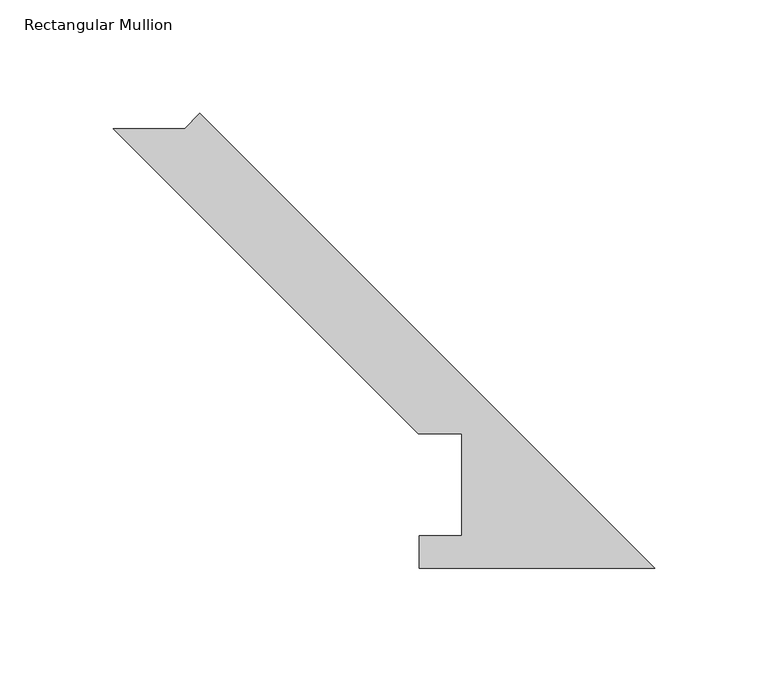
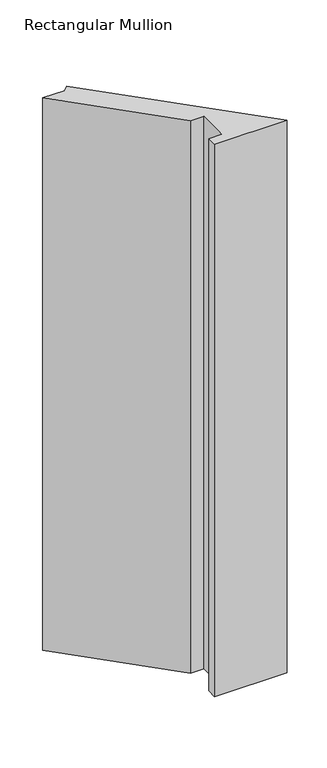
"""IFC4 building model written with IfcOpenShell, lengths in millimetres: member geometry, Rectangular Mullion."""

from ifc_helpers import new_model, si_unit, frame, origin, place, context, project, spatial, polyline, outline, extrude, source, transform, mapped, element, save


def rectangular_mullion_af075946(model_context):
    return source(origin(), model_context, "Body", "SweptSolid", [
        extrude(outline(polyline([(0.0, 0.186986), (-103.8932205, 0.186986), (-103.8932205, 14.436386), (-85.1955446, 14.436386), (-85.1955446, 59.53125), (-104.2455446, 59.53125), (-238.7697813, 194.0554867), (-207.3388849, 194.0554867), (-200.6036928, 200.7906788), (0.0, 0.186986)])), frame((0.0, 0.0, -838.2), z_axis=(0.0, 0.0, 1.0), x_axis=(1.0, 0.0, 0.0)), (0.0, 0.0, 1.0), 838.2),
    ])


if __name__ == "__main__":
    model = new_model("IFC4")
    model_context = context("Model", 3, world=origin())
    ifc_project = project(units=[si_unit("LENGTHUNIT", "METRE", prefix="MILLI")], contexts=[model_context])
    site = spatial("IfcSite", under=ifc_project)
    building = spatial("IfcBuilding", under=site)
    placement = place(None, origin())
    rectangular_mullion_shape = rectangular_mullion_af075946(model_context)
    element("IfcMember", 1, ObjectType="Rectangular Mullion", at=placement, inside=building, context=model_context, shape_type="MappedRepresentation", body=[
        mapped(rectangular_mullion_shape, transform((0.0, 0.0, 0.0), x_axis=(1.0, 0.0, 0.0), y_axis=(0.0, 1.0, 0.0), z_axis=(0.0, 0.0, 1.0))),
    ])
    save(model, "model.ifc")
